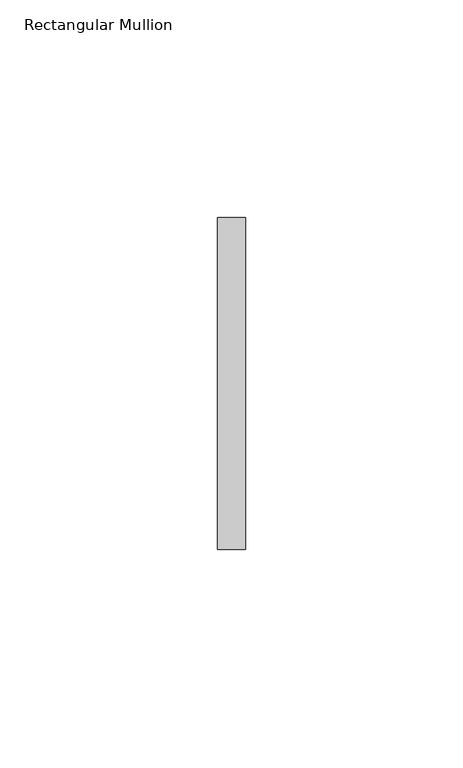
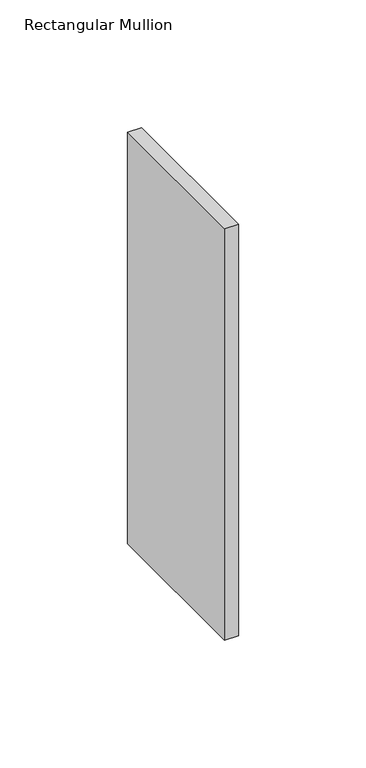
"""IFC4 building model written with IfcOpenShell, lengths in millimetres: member geometry, Rectangular Mullion."""

from ifc_helpers import new_model, si_unit, frame, origin, place, context, project, spatial, polyline, outline, extrude, source, transform, mapped, element, save


def rectangular_mullion_1217e5ed(model_context):
    return source(origin(), model_context, "Body", "SweptSolid", [
        extrude(outline(polyline([(0.0, 38.1), (0.0, -38.1), (-6.35, -38.1), (-6.35, 38.1), (0.0, 38.1)])), frame((0.0, 0.0, -196.85), z_axis=(0.0, 0.0, 1.0), x_axis=(1.0, 0.0, 0.0)), (0.0, 0.0, 1.0), 196.85),
    ])


if __name__ == "__main__":
    model = new_model("IFC4")
    model_context = context("Model", 3, world=origin())
    ifc_project = project(units=[si_unit("LENGTHUNIT", "METRE", prefix="MILLI")], contexts=[model_context])
    site = spatial("IfcSite", under=ifc_project)
    building = spatial("IfcBuilding", under=site)
    placement = place(None, origin())
    rectangular_mullion_shape = rectangular_mullion_1217e5ed(model_context)
    element("IfcMember", 1, ObjectType="Rectangular Mullion", at=placement, inside=building, context=model_context, shape_type="MappedRepresentation", body=[
        mapped(rectangular_mullion_shape, transform((0.0, 0.0, 0.0), x_axis=(1.0, 0.0, 0.0), y_axis=(0.0, 1.0, 0.0), z_axis=(0.0, 0.0, 1.0))),
    ])
    save(model, "model.ifc")
